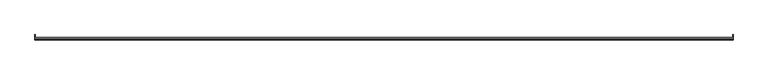
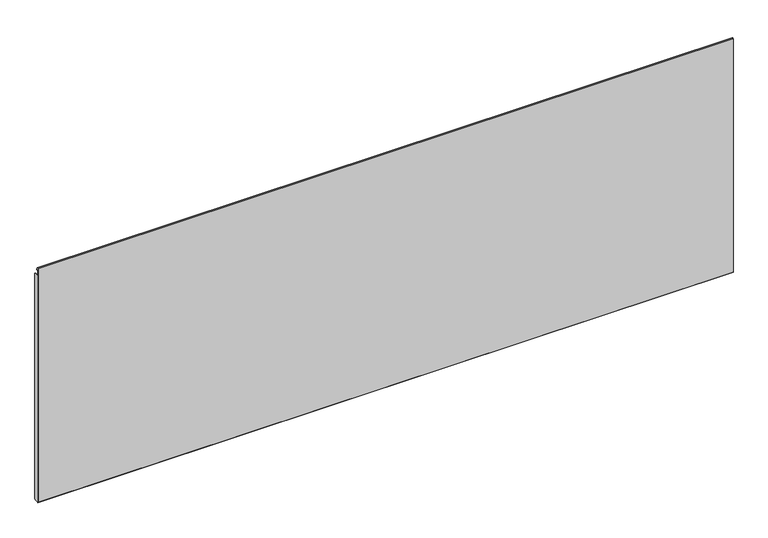
"""IFC4 building model written with IfcOpenShell, lengths in millimetres: furniture geometry."""

from ifc_helpers import new_model, si_unit, point, frame, frame_2d, origin, place, context, project, spatial, polyline, circle_curve, trimmed, segment, composite_curve, outline, extrude, source, transform, mapped, element, save


def furniture_bcbbf273(model_context):
    return source(origin(), model_context, "Body", "SweptSolid", [
        extrude(outline(polyline([(699.5160745, 1.2721123), (699.5160745, 2.5421123), (773.6840764, 2.5421123), (773.6840764, 1.2721123), (699.5160745, 1.2721123)])), frame((0.0, 0.0, 411.5278968), z_axis=(0.0, 0.0, 1.0), x_axis=(1.0, 0.0, 0.0)), (0.0, 0.0, 1.0), 47.8027871),
        extrude(outline(polyline([(445.5161351, 1.2721123), (445.5161351, 2.5421123), (519.684137, 2.5421123), (519.684137, 1.2721123), (445.5161351, 1.2721123)])), frame((0.0, 0.0, 411.5278968), z_axis=(0.0, 0.0, 1.0), x_axis=(1.0, 0.0, 0.0)), (0.0, 0.0, 1.0), 47.8027871),
        extrude(outline(polyline([(852.1700561, 1.2721123), (852.1700561, 2.5421123), (890.2700561, 2.5421123), (890.2700561, 1.2721123), (852.1700561, 1.2721123)])), frame((0.0, 0.0, 397.3293085), z_axis=(0.0, 0.0, 1.0), x_axis=(1.0, 0.0, 0.0)), (0.0, 0.0, 1.0), 76.2),
        extrude(outline(polyline([(328.9301554, 1.2721123), (328.9301554, 2.5421123), (367.0301554, 2.5421123), (367.0301554, 1.2721123), (328.9301554, 1.2721123)])), frame((0.0, 0.0, 397.3293085), z_axis=(0.0, 0.0, 1.0), x_axis=(1.0, 0.0, 0.0)), (0.0, 0.0, 1.0), 76.2),
        extrude(outline(composite_curve([segment(trimmed(circle_curve(frame_2d((8.4095119, 520.8810587)), 1.651), [point((8.4095119, 522.5320587))], [point((10.0605119, 520.8810587))], False, "CARTESIAN"), True, "CONTINUOUS"), segment(polyline([(10.0605119, 520.8810587), (10.0605119, 104.8366971)]), True, "CONTINUOUS"), segment(trimmed(circle_curve(frame_2d((8.4018919, 104.8366971)), 1.65862), [point((10.0605119, 104.8366971))], [point((8.4018919, 103.1780771))], False, "CARTESIAN"), True, "CONTINUOUS"), segment(polyline([(8.4018919, 103.1780771), (1.2721123, 103.1780771), (1.2721123, 522.5320587), (8.4095119, 522.5320587)]), True, "CONTINUOUS")], self_intersect=False)), frame((1217.8284097, 0.0, 0.0), z_axis=(1.0, 0.0, 0.0), x_axis=(0.0, 1.0, 0.0)), (0.0, 0.0, 1.0), 0.7366),
        extrude(outline(composite_curve([segment(trimmed(circle_curve(frame_2d((8.4095119, 520.8810587)), 1.651), [point((8.4095119, 522.5320587))], [point((10.0605119, 520.8810587))], False, "CARTESIAN"), True, "CONTINUOUS"), segment(polyline([(10.0605119, 520.8810587), (10.0605119, 104.8366971)]), True, "CONTINUOUS"), segment(trimmed(circle_curve(frame_2d((8.4018919, 104.8366971)), 1.65862), [point((10.0605119, 104.8366971))], [point((8.4018919, 103.1780771))], False, "CARTESIAN"), True, "CONTINUOUS"), segment(polyline([(8.4018919, 103.1780771), (1.2721123, 103.1780771), (1.2721123, 522.5320587), (8.4095119, 522.5320587)]), True, "CONTINUOUS")], self_intersect=False)), frame((0.6350928, 0.0, 0.0), z_axis=(1.0, 0.0, 0.0), x_axis=(0.0, 1.0, 0.0)), (0.0, 0.0, 1.0), 0.7365942),
        extrude(outline(composite_curve([segment(polyline([(5.2083792, 532.0391456), (4.5239572, 531.6440005), (2.0304576, 535.9628641)]), True, "CONTINUOUS"), segment(trimmed(circle_curve(frame_2d((1.6785084, 535.7596659)), 0.4063961), [point((2.0304576, 535.9628641))], [point((1.2721123, 535.7596659))], True, "CARTESIAN"), True, "CONTINUOUS"), segment(polyline([(1.2721123, 535.7596659), (1.2721123, 102.4414771), (0.5355123, 103.1780771), (0.5355123, 535.8670732), (1.3826821, 536.971112), (2.6683793, 536.4386227), (5.2083792, 532.0391456)]), True, "CONTINUOUS")], self_intersect=False)), frame((0.6350928, 0.0, 0.0), z_axis=(1.0, 0.0, 0.0), x_axis=(0.0, 1.0, 0.0)), (0.0, 0.0, 1.0), 1217.9299169),
    ])


if __name__ == "__main__":
    model = new_model("IFC4")
    model_context = context("Model", 3, world=origin())
    ifc_project = project(units=[si_unit("LENGTHUNIT", "METRE", prefix="MILLI")], contexts=[model_context])
    site = spatial("IfcSite", under=ifc_project)
    building = spatial("IfcBuilding", under=site)
    placement = place(None, origin())
    furniture_shape = furniture_bcbbf273(model_context)
    element("IfcFurniture", 1, at=placement, inside=building, context=model_context, shape_type="MappedRepresentation", body=[
        mapped(furniture_shape, transform((0.0, 0.0, 0.0), x_axis=(1.0, 0.0, 0.0), y_axis=(0.0, 1.0, 0.0), z_axis=(0.0, 0.0, 1.0))),
    ])
    save(model, "model.ifc")
